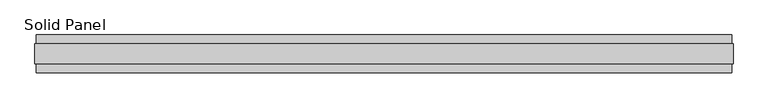
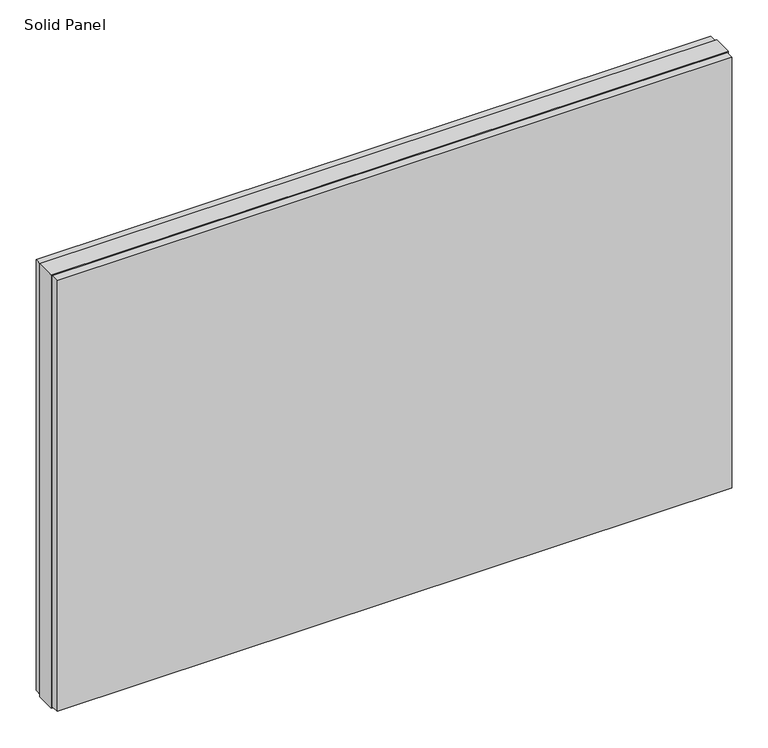
"""IFC4 building model written with IfcOpenShell, lengths in millimetres: plate geometry, Solid Panel."""

from ifc_helpers import new_model, si_unit, frame, origin, origin_with_axes, place, context, project, spatial, polyline, outline, extrude, source, transform, mapped, element, save


def solid_panel_d29fb4b3(model_context):
    return source(origin(), model_context, "Body", "SweptSolid", [
        extrude(outline(polyline([(892.4061018, -48.4531867), (-892.4061018, -48.4531867), (-892.4061018, -25.9961), (892.4061018, -25.9961), (892.4061018, -48.4531867)])), frame((0.0, 0.0, 3.0099), z_axis=(0.0, 0.0, 1.0), x_axis=(1.0, 0.0, 0.0)), (0.0, 0.0, 1.0), 1205.5602),
        extrude(outline(polyline([(892.4061018, 25.9977), (-892.4061018, 25.9977), (-892.4061018, 48.4547867), (892.4061018, 48.4547867), (892.4061018, 25.9977)])), frame((0.0, 0.0, 3.0099), z_axis=(0.0, 0.0, 1.0), x_axis=(1.0, 0.0, 0.0)), (0.0, 0.0, 1.0), 1205.5602),
        extrude(outline(polyline([(895.4033018, -25.9961), (-895.4033018, -25.9961), (-895.4033018, 25.9977), (895.4033018, 25.9977), (895.4033018, -25.9961)])), origin_with_axes(), (0.0, 0.0, 1.0), 1211.58),
    ])


if __name__ == "__main__":
    model = new_model("IFC4")
    model_context = context("Model", 3, world=origin())
    ifc_project = project(units=[si_unit("LENGTHUNIT", "METRE", prefix="MILLI")], contexts=[model_context])
    site = spatial("IfcSite", under=ifc_project)
    building = spatial("IfcBuilding", under=site)
    placement = place(None, origin())
    solid_panel_shape = solid_panel_d29fb4b3(model_context)
    element("IfcPlate", 1, ObjectType="Solid Panel", at=placement, inside=building, context=model_context, shape_type="MappedRepresentation", body=[
        mapped(solid_panel_shape, transform((0.0, 0.0, 0.0), x_axis=(1.0, 0.0, 0.0), y_axis=(0.0, 1.0, 0.0), z_axis=(0.0, 0.0, 1.0))),
    ])
    save(model, "model.ifc")
